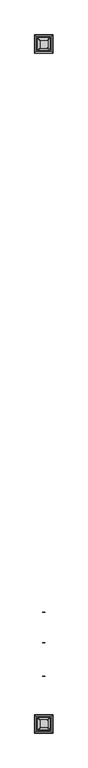
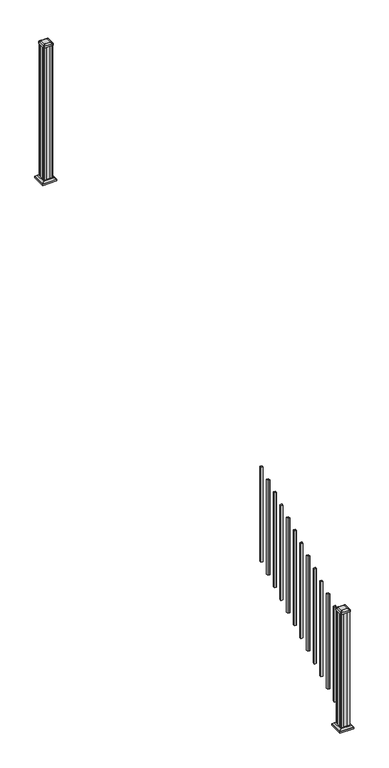
"""IFC4 building model written with IfcOpenShell, lengths in millimetres: railing geometry."""

import ifcopenshell
import ifcopenshell.guid

model = None  # the IFC model being written
_history = None  # IfcOwnerHistory: only IFC2X3 demands one
_inside = {}  # id of a spatial element -> (the spatial element, [elements in it])
_under = {}  # id of a project, library or spatial element -> (it, [spatial elements below it])
_declared = {}  # id of a project -> (the project, [libraries it declares])
_typed = {}  # id of a type object -> (the type object, [elements of that type])
_made_of = {}  # id of a material, layer set ... -> (it, [elements and type objects made of it])


def new_model(schema):
    """Start an empty IFC model of exactly this schema.

    Asked for "IFC4X3", IfcOpenShell would pick the latest addendum, in which some entities
    have other attributes; the version numbers below select the first issue.
    IFC2X3 requires an IfcOwnerHistory on every rooted entity: one is made here for all.
    """
    global model, _history
    if schema == "IFC4X3":
        model = ifcopenshell.file(schema_version=(4, 3, 0, 0))
    else:
        model = ifcopenshell.file(schema=schema)
    _inside.clear()
    _under.clear()
    _declared.clear()
    _typed.clear()
    _made_of.clear()
    _history = None
    if model.schema == "IFC2X3":
        org = make("IfcOrganization", Name="unknown")
        user = make(
            "IfcPersonAndOrganization",
            ThePerson=make("IfcPerson", FamilyName="unknown"),
            TheOrganization=org,
        )
        app = make(
            "IfcApplication",
            ApplicationDeveloper=org,
            Version="unknown",
            ApplicationFullName="unknown",
            ApplicationIdentifier="unknown",
        )
        _history = make(
            "IfcOwnerHistory",
            OwningUser=user,
            OwningApplication=app,
            ChangeAction="ADDED",
            CreationDate=0,
        )
    return model


def make(cls, **values):
    """One entity of the class cls with the attributes given. An attribute that is None is left unset."""
    return model.create_entity(
        cls, **{name: value for name, value in values.items() if value is not None}
    )


def rooted(cls, **values):
    """An entity with a GlobalId (a new one), such as an element, a storey or a relation."""
    return make(cls, GlobalId=ifcopenshell.guid.new(), OwnerHistory=_history, **values)


def si_unit(unit_type, name, prefix=None):
    """IfcSIUnit, for example si_unit("LENGTHUNIT", "METRE", prefix="MILLI")."""
    return make("IfcSIUnit", UnitType=unit_type, Prefix=prefix, Name=name)


def assignment(units):
    """IfcUnitAssignment: the units of a project."""
    return None if units is None else make("IfcUnitAssignment", Units=units)


def point(xyz):
    """IfcCartesianPoint."""
    return None if xyz is None else make("IfcCartesianPoint", Coordinates=xyz)


def direction(xyz):
    """IfcDirection."""
    return None if xyz is None else make("IfcDirection", DirectionRatios=xyz)


def frame(location, z_axis=None, x_axis=None):
    """IfcAxis2Placement3D, a coordinate frame: its origin and axes. An axis left out is left unset."""
    return make(
        "IfcAxis2Placement3D",
        Location=point(location),
        Axis=direction(z_axis),
        RefDirection=direction(x_axis),
    )


def frame_2d(location, x_axis=None):
    """IfcAxis2Placement2D, a coordinate frame in the plane: its origin and x axis."""
    return make(
        "IfcAxis2Placement2D", Location=point(location), RefDirection=direction(x_axis)
    )


def origin():
    """The frame at (0, 0, 0) with its axes left unset."""
    return frame((0.0, 0.0, 0.0))


def place(relative_to, where):
    """IfcLocalPlacement: puts the frame where relative to a parent placement (None: the world)."""
    return make(
        "IfcLocalPlacement", PlacementRelTo=relative_to, RelativePlacement=where
    )


def context(
    kind, dimensions, precision=None, world=None, true_north=None, identifier=None
):
    """IfcGeometricRepresentationContext, for example the 3D "Model" context."""
    return make(
        "IfcGeometricRepresentationContext",
        ContextIdentifier=identifier,
        ContextType=kind,
        CoordinateSpaceDimension=dimensions,
        Precision=precision,
        WorldCoordinateSystem=world,
        TrueNorth=true_north,
    )


def project(units=None, contexts=None):
    """IfcProject with its units and contexts."""
    return rooted(
        "IfcProject",
        Name="project",
        RepresentationContexts=contexts,
        UnitsInContext=assignment(units),
    )


def spatial(cls, under=None, at=None, **own):
    """A site, building, storey or space (cls), placed at a placement, below another one or the project."""
    s = rooted(cls, ObjectPlacement=at, **own)
    if under is not None:
        _under.setdefault(under.id(), (under, []))[1].append(s)
    return s


def polyline(points):
    """IfcPolyline through the points."""
    return make("IfcPolyline", Points=[point(p) for p in points])


def circle_curve(where, radius):
    """IfcCircle in the frame where."""
    return make("IfcCircle", Position=where, Radius=radius)


def trimmed(basis, trim1, trim2, sense, master):
    """IfcTrimmedCurve: the piece of a basis curve between two trims."""
    return make(
        "IfcTrimmedCurve",
        BasisCurve=basis,
        Trim1=trim1,
        Trim2=trim2,
        SenseAgreement=sense,
        MasterRepresentation=master,
    )


def segment(curve, same_sense, transition):
    """IfcCompositeCurveSegment."""
    return make(
        "IfcCompositeCurveSegment",
        Transition=transition,
        SameSense=same_sense,
        ParentCurve=curve,
    )


def composite_curve(segments, self_intersect=None):
    """IfcCompositeCurve: segments joined end to end."""
    return make("IfcCompositeCurve", Segments=segments, SelfIntersect=self_intersect)


def outline(outer, holes=None, kind="AREA"):
    """IfcArbitraryClosedProfileDef: a profile drawn as a closed curve; with holes, ...WithVoids."""
    if holes is None:
        return make("IfcArbitraryClosedProfileDef", ProfileType=kind, OuterCurve=outer)
    return make(
        "IfcArbitraryProfileDefWithVoids",
        ProfileType=kind,
        OuterCurve=outer,
        InnerCurves=holes,
    )


def extrude(swept, where, along, depth):
    """IfcExtrudedAreaSolid: the profile swept, set in the frame where, extruded along a direction by depth."""
    return make(
        "IfcExtrudedAreaSolid",
        SweptArea=swept,
        Position=where,
        ExtrudedDirection=direction(along),
        Depth=depth,
    )


def faces_of(points, faces, orient=None, outer=None):
    """IfcFace entities. A face is a list of loops; a loop is a list of indices into points, from 0.

    orient and outer hold one flag for each loop. By default every Orientation is true, the
    first loop of a face is its IfcFaceOuterBound and the others are IfcFaceBound.
    """
    made = []
    for i, loops in enumerate(faces):
        bounds = []
        for j, loop in enumerate(loops):
            is_outer = j == 0 if outer is None else outer[i][j]
            bounds.append(
                make(
                    "IfcFaceOuterBound" if is_outer else "IfcFaceBound",
                    Bound=make("IfcPolyLoop", Polygon=[points[k] for k in loop]),
                    Orientation=True if orient is None else orient[i][j],
                )
            )
        made.append(make("IfcFace", Bounds=bounds))
    return made


def faceted_brep(points, faces, orient=None, outer=None, voids=None):
    """IfcFacetedBrep: a solid bounded by flat faces; with voids (closed shells), ...WithVoids."""
    shared = [point(p) for p in points]
    hull = make("IfcClosedShell", CfsFaces=faces_of(shared, faces, orient, outer))
    if voids is None:
        return make("IfcFacetedBrep", Outer=hull)
    return make(
        "IfcFacetedBrepWithVoids",
        Outer=hull,
        Voids=[
            make(cls, CfsFaces=faces_of(shared, fs, o, b)) for cls, fs, o, b in voids
        ],
    )


def shape(context_of_items, identifier, shape_type, items):
    """IfcShapeRepresentation: the items that make up one representation, for example the "Body"."""
    return make(
        "IfcShapeRepresentation",
        ContextOfItems=context_of_items,
        RepresentationIdentifier=identifier,
        RepresentationType=shape_type,
        Items=items,
    )


def source(mapping_origin, context_of_items, identifier, shape_type, items):
    """IfcRepresentationMap: a shape defined once, which mapped items show again and again."""
    return make(
        "IfcRepresentationMap",
        MappingOrigin=mapping_origin,
        MappedRepresentation=shape(context_of_items, identifier, shape_type, items),
    )


def transform(
    local_origin,
    x_axis=None,
    y_axis=None,
    z_axis=None,
    scale=None,
    scale2=None,
    scale3=None,
    uniform=True,
):
    """IfcCartesianTransformationOperator3D, or its non-uniform kind. x_axis, y_axis, z_axis: its Axis1, 2, 3."""
    if uniform:
        return make(
            "IfcCartesianTransformationOperator3D",
            Axis1=direction(x_axis),
            Axis2=direction(y_axis),
            LocalOrigin=point(local_origin),
            Scale=scale,
            Axis3=direction(z_axis),
        )
    return make(
        "IfcCartesianTransformationOperator3DnonUniform",
        Axis1=direction(x_axis),
        Axis2=direction(y_axis),
        LocalOrigin=point(local_origin),
        Scale=scale,
        Axis3=direction(z_axis),
        Scale2=scale2,
        Scale3=scale3,
    )


def mapped(mapping_source, mapping_target):
    """IfcMappedItem: shows the shape of a source again, moved by a transform."""
    return make(
        "IfcMappedItem", MappingSource=mapping_source, MappingTarget=mapping_target
    )


def made_of(thing, what):
    """Note that an element or type object is made of a material, layer set ...; save() writes the relation."""
    if what is not None:
        _made_of.setdefault(what.id(), (what, []))[1].append(thing)
    return thing


def element(
    cls,
    number,
    at=None,
    inside=None,
    cuts=None,
    type_object=None,
    material=None,
    context=None,
    identifier="Body",
    shape_type=None,
    held_by="IfcProductDefinitionShape",
    body=None,
    shapes=None,
    **own,
):
    """One element of the class cls, such as IfcWall. Its Tag is "e" and its number.

    at: its placement. inside: the storey or other place that contains it. cuts: it is an
    opening in that element (IfcRelVoidsElement). A single representation is given by context,
    identifier, shape_type and body (its items); several are given by shapes. held_by: the class
    of the entity that holds the representations. save() writes the other relations.
    """
    e = rooted(cls, Tag="e%d" % number, ObjectPlacement=at, **own)
    if body is not None:
        shapes = [shape(context, identifier, shape_type, body)]
    if shapes is not None:
        e.Representation = make(held_by, Representations=shapes)
    if inside is not None:
        _inside.setdefault(inside.id(), (inside, []))[1].append(e)
    if cuts is not None:
        rooted(
            "IfcRelVoidsElement", RelatingBuildingElement=cuts, RelatedOpeningElement=e
        )
    if type_object is not None:
        _typed.setdefault(type_object.id(), (type_object, []))[1].append(e)
    return made_of(e, material)


def aggregate(whole, parts):
    """IfcRelAggregates: a whole, such as a stair, and the parts it consists of."""
    return rooted("IfcRelAggregates", RelatingObject=whole, RelatedObjects=parts)


def save(model, path):
    """Write the relations noted so far, then the file.

    IfcRelAggregates (storeys below a building ...), IfcRelContainedInSpatialStructure (elements
    in a storey), IfcRelDefinesByType, IfcRelAssociatesMaterial and IfcRelDeclares: one each for
    every whole, place, type object, material and project.
    """
    for whole, parts in _under.values():
        aggregate(whole, parts)
    for where, things in _inside.values():
        rooted(
            "IfcRelContainedInSpatialStructure",
            RelatedElements=things,
            RelatingStructure=where,
        )
    for kind, things in _typed.values():
        rooted("IfcRelDefinesByType", RelatedObjects=things, RelatingType=kind)
    for what, things in _made_of.values():
        rooted("IfcRelAssociatesMaterial", RelatedObjects=things, RelatingMaterial=what)
    for by, libraries in _declared.values():
        rooted("IfcRelDeclares", RelatingContext=by, RelatedDefinitions=libraries)
    model.write(path)


def plane_surface(at):
    """IfcPlane: the flat surface through the origin of the frame at, square to its z axis."""
    return make("IfcPlane", Position=at)


def extruded_surface(curve, direction_of_extrusion, depth):
    """IfcSurfaceOfLinearExtrusion: the curve pushed along a direction by depth."""
    return make(
        "IfcSurfaceOfLinearExtrusion",
        SweptCurve=make("IfcArbitraryOpenProfileDef", ProfileType="CURVE", Curve=curve),
        ExtrudedDirection=direction(direction_of_extrusion),
        Depth=depth,
    )


def advanced_brep(points, edges, surfaces, faces):
    """IfcAdvancedBrep: a solid bounded by faces that lie on surfaces and meet in shared edges.

    An edge is (start, end): straight between two places in points (the first is 0);
    or (start, end, curve); or (start, end, curve, False) where it runs against its curve.
    A face is (place in surfaces, loops), or (place, loops, False) where it looks against
    its surface's normal. A loop lists edges by number (the first is 1), with a minus sign
    where the edge is run from its end to its start. The first loop is the outer one.
    """
    corners = [point(p) for p in points]
    vertices = [make("IfcVertexPoint", VertexGeometry=c) for c in corners]
    made = []
    for start, end, *more in edges:
        made.append(
            make(
                "IfcEdgeCurve",
                EdgeStart=vertices[start],
                EdgeEnd=vertices[end],
                EdgeGeometry=more[0] if more else make("IfcPolyline", Points=[corners[start], corners[end]]),
                SameSense=more[1] if len(more) > 1 else True,
            )
        )
    hull = []
    for where, loops, *sense in faces:
        bounds = []
        for j, loop in enumerate(loops):
            ring = [make("IfcOrientedEdge", EdgeElement=made[abs(k) - 1], Orientation=k > 0) for k in loop]
            bounds.append(
                make(
                    "IfcFaceOuterBound" if j == 0 else "IfcFaceBound",
                    Bound=make("IfcEdgeLoop", EdgeList=ring),
                    Orientation=True,
                )
            )
        hull.append(make("IfcAdvancedFace", Bounds=bounds, FaceSurface=surfaces[where], SameSense=sense[0] if sense else True))
    return make("IfcAdvancedBrep", Outer=make("IfcClosedShell", CfsFaces=hull))


def railing_4b3dfe9b(model_context):
    return source(origin(), model_context, "Body", "SolidModel", [
        extrude(outline(polyline([(13099.8692659, 3087.2789694), (13099.8692659, 3106.3289694), (13118.9192659, 3106.3289694), (13118.9192659, 3087.2789694), (13099.8692659, 3087.2789694)]), holes=[polyline([(13100.2661409, 3087.6758444), (13118.5223909, 3087.6758444), (13118.5223909, 3105.9320944), (13100.2661409, 3105.9320944), (13100.2661409, 3087.6758444)])]), frame((0.0, 0.0, 1003.0533433), z_axis=(0.0, 0.0, 1.0), x_axis=(1.0, 0.0, 0.0)), (0.0, 0.0, 1.0), 965.2041219),
        extrude(outline(polyline([(13099.8692659, 2976.1539694), (13099.8692659, 2995.2039694), (13118.9192659, 2995.2039694), (13118.9192659, 2976.1539694), (13099.8692659, 2976.1539694)]), holes=[polyline([(13100.2661409, 2976.5508444), (13118.5223909, 2976.5508444), (13118.5223909, 2994.8070944), (13100.2661409, 2994.8070944), (13100.2661409, 2976.5508444)])]), frame((0.0, 0.0, 941.3172322), z_axis=(0.0, 0.0, 1.0), x_axis=(1.0, 0.0, 0.0)), (0.0, 0.0, 1.0), 965.2041219),
        extrude(outline(polyline([(13099.8692659, 2865.0289694), (13099.8692659, 2884.0789694), (13118.9192659, 2884.0789694), (13118.9192659, 2865.0289694), (13099.8692659, 2865.0289694)]), holes=[polyline([(13100.2661409, 2865.4258444), (13118.5223909, 2865.4258444), (13118.5223909, 2883.6820944), (13100.2661409, 2883.6820944), (13100.2661409, 2865.4258444)])]), frame((0.0, 0.0, 879.5811211), z_axis=(0.0, 0.0, 1.0), x_axis=(1.0, 0.0, 0.0)), (0.0, 0.0, 1.0), 965.2041219),
        extrude(outline(polyline([(13099.8692659, 2753.9039694), (13099.8692659, 2772.9539694), (13118.9192659, 2772.9539694), (13118.9192659, 2753.9039694), (13099.8692659, 2753.9039694)]), holes=[polyline([(13100.2661409, 2754.3008444), (13118.5223909, 2754.3008444), (13118.5223909, 2772.5570944), (13100.2661409, 2772.5570944), (13100.2661409, 2754.3008444)])]), frame((0.0, 0.0, 817.84501), z_axis=(0.0, 0.0, 1.0), x_axis=(1.0, 0.0, 0.0)), (0.0, 0.0, 1.0), 965.2041219),
        extrude(outline(polyline([(13099.8692659, 2642.7789694), (13099.8692659, 2661.8289694), (13118.9192659, 2661.8289694), (13118.9192659, 2642.7789694), (13099.8692659, 2642.7789694)]), holes=[polyline([(13100.2661409, 2643.1758444), (13118.5223909, 2643.1758444), (13118.5223909, 2661.4320944), (13100.2661409, 2661.4320944), (13100.2661409, 2643.1758444)])]), frame((0.0, 0.0, 756.1088989), z_axis=(0.0, 0.0, 1.0), x_axis=(1.0, 0.0, 0.0)), (0.0, 0.0, 1.0), 965.2041219),
        extrude(outline(polyline([(13099.8692659, 2531.6539694), (13099.8692659, 2550.7039694), (13118.9192659, 2550.7039694), (13118.9192659, 2531.6539694), (13099.8692659, 2531.6539694)]), holes=[polyline([(13100.2661409, 2532.0508444), (13118.5223909, 2532.0508444), (13118.5223909, 2550.3070944), (13100.2661409, 2550.3070944), (13100.2661409, 2532.0508444)])]), frame((0.0, 0.0, 694.3727878), z_axis=(0.0, 0.0, 1.0), x_axis=(1.0, 0.0, 0.0)), (0.0, 0.0, 1.0), 965.2041219),
        extrude(outline(polyline([(13099.8692659, 2420.5289694), (13099.8692659, 2439.5789694), (13118.9192659, 2439.5789694), (13118.9192659, 2420.5289694), (13099.8692659, 2420.5289694)]), holes=[polyline([(13100.2661409, 2420.9258444), (13118.5223909, 2420.9258444), (13118.5223909, 2439.1820944), (13100.2661409, 2439.1820944), (13100.2661409, 2420.9258444)])]), frame((0.0, 0.0, 632.6366767), z_axis=(0.0, 0.0, 1.0), x_axis=(1.0, 0.0, 0.0)), (0.0, 0.0, 1.0), 965.2041219),
        extrude(outline(polyline([(13099.8692659, 2309.4039694), (13099.8692659, 2328.4539694), (13118.9192659, 2328.4539694), (13118.9192659, 2309.4039694), (13099.8692659, 2309.4039694)]), holes=[polyline([(13100.2661409, 2309.8008444), (13118.5223909, 2309.8008444), (13118.5223909, 2328.0570944), (13100.2661409, 2328.0570944), (13100.2661409, 2309.8008444)])]), frame((0.0, 0.0, 570.9005656), z_axis=(0.0, 0.0, 1.0), x_axis=(1.0, 0.0, 0.0)), (0.0, 0.0, 1.0), 965.2041219),
        extrude(outline(polyline([(13099.8692659, 2198.2789694), (13099.8692659, 2217.3289694), (13118.9192659, 2217.3289694), (13118.9192659, 2198.2789694), (13099.8692659, 2198.2789694)]), holes=[polyline([(13100.2661409, 2198.6758444), (13118.5223909, 2198.6758444), (13118.5223909, 2216.9320944), (13100.2661409, 2216.9320944), (13100.2661409, 2198.6758444)])]), frame((0.0, 0.0, 509.1644545), z_axis=(0.0, 0.0, 1.0), x_axis=(1.0, 0.0, 0.0)), (0.0, 0.0, 1.0), 965.2041219),
        extrude(outline(polyline([(13099.8692659, 2087.1539694), (13099.8692659, 2106.2039694), (13118.9192659, 2106.2039694), (13118.9192659, 2087.1539694), (13099.8692659, 2087.1539694)]), holes=[polyline([(13100.2661409, 2087.5508444), (13118.5223909, 2087.5508444), (13118.5223909, 2105.8070944), (13100.2661409, 2105.8070944), (13100.2661409, 2087.5508444)])]), frame((0.0, 0.0, 447.4283433), z_axis=(0.0, 0.0, 1.0), x_axis=(1.0, 0.0, 0.0)), (0.0, 0.0, 1.0), 965.2041219),
        extrude(outline(polyline([(13099.8692659, 1976.0289694), (13099.8692659, 1995.0789694), (13118.9192659, 1995.0789694), (13118.9192659, 1976.0289694), (13099.8692659, 1976.0289694)]), holes=[polyline([(13100.2661409, 1976.4258444), (13118.5223909, 1976.4258444), (13118.5223909, 1994.6820944), (13100.2661409, 1994.6820944), (13100.2661409, 1976.4258444)])]), frame((0.0, 0.0, 385.6922322), z_axis=(0.0, 0.0, 1.0), x_axis=(1.0, 0.0, 0.0)), (0.0, 0.0, 1.0), 965.2041219),
        extrude(outline(polyline([(13099.8692659, 1864.9039694), (13099.8692659, 1883.9539694), (13118.9192659, 1883.9539694), (13118.9192659, 1864.9039694), (13099.8692659, 1864.9039694)]), holes=[polyline([(13100.2661409, 1865.3008444), (13118.5223909, 1865.3008444), (13118.5223909, 1883.5570944), (13100.2661409, 1883.5570944), (13100.2661409, 1865.3008444)])]), frame((0.0, 0.0, 323.9561211), z_axis=(0.0, 0.0, 1.0), x_axis=(1.0, 0.0, 0.0)), (0.0, 0.0, 1.0), 965.2041219),
        extrude(outline(polyline([(13149.0817659, 6655.7805319), (13129.4602659, 6655.7805319), (13128.6982659, 6657.3680319), (13090.0902659, 6657.3680319), (13089.3282659, 6655.7805319), (13069.7067659, 6655.7805319), (13068.1192659, 6657.3680319), (13068.1192659, 6676.9895319), (13069.7067659, 6677.7515319), (13069.7067659, 6716.3595319), (13068.1192659, 6717.1215319), (13068.1192659, 6736.7430319), (13069.7067659, 6738.3305319), (13089.3282659, 6738.3305319), (13090.0902659, 6736.7430319), (13128.6982659, 6736.7430319), (13129.4602659, 6738.3305319), (13149.0817659, 6738.3305319), (13150.6692659, 6736.7430319), (13150.6692659, 6717.1215319), (13149.0817659, 6716.3595319), (13149.0817659, 6677.7515319), (13150.6692659, 6676.9895319), (13150.6692659, 6657.3680319), (13149.0817659, 6655.7805319)])), frame((0.0, 0.0, 2709.3333333), z_axis=(0.0, 0.0, 1.0), x_axis=(1.0, 0.0, 0.0)), (0.0, 0.0, 1.0), 1376.0281519),
        faceted_brep([(13056.8083284, 6644.4695944, 2737.9083333), (13161.9802034, 6644.4695944, 2737.9083333), (13161.9802034, 6749.6414694, 2737.9083333), (13056.8083284, 6749.6414694, 2737.9083333), (13042.7688753, 6630.4301413, 2724.5733333), (13042.7688753, 6763.6809225, 2724.5733333), (13176.0196565, 6763.6809225, 2724.5733333), (13176.0196565, 6630.4301413, 2724.5733333)], [[[0, 1, 2, 3]], [[4, 5, 6, 7]], [[4, 7, 1, 0]], [[7, 6, 2, 1]], [[6, 5, 3, 2]], [[5, 4, 0, 3]]]),
        extrude(outline(polyline([(13042.7688753, 6630.4301413), (13042.7688753, 6763.6809225), (13176.0196565, 6763.6809225), (13176.0196565, 6630.4301413), (13042.7688753, 6630.4301413)])), frame((0.0, 0.0, 2709.3333333), z_axis=(0.0, 0.0, 1.0), x_axis=(1.0, 0.0, 0.0)), (0.0, 0.0, 1.0), 15.24),
        advanced_brep(
        [(13135.1911409, 6668.0836569, 4113.9364852), (13138.3661409, 6671.2586569, 4113.9364852), (13138.3661409, 6722.8524069, 4113.9364852), (13135.1911409, 6726.0274069, 4113.9364852), (13083.5973909, 6726.0274069, 4113.9364852), (13080.4223909, 6722.8524069, 4113.9364852), (13080.4223909, 6671.2586569, 4113.9364852), (13083.5973909, 6668.0836569, 4113.9364852), (13151.4630159, 6651.8117819, 4102.6334852), (13067.3255159, 6651.8117819, 4102.6334852), (13064.1505159, 6654.9867819, 4102.6334852), (13064.1505159, 6739.1242819, 4102.6334852), (13067.3255159, 6742.2992819, 4102.6334852), (13151.4630159, 6742.2992819, 4102.6334852), (13154.6380159, 6739.1242819, 4102.6334852), (13154.6380159, 6654.9867819, 4102.6334852)],
        [
            (0, 1, circle_curve(frame((13135.1911409, 6671.2586569, 4113.9364852), z_axis=(0.0, 0.0, 1.0), x_axis=(0.0, 1.0, 0.0)), 3.175)),
            (1, 2),
            (2, 3, circle_curve(frame((13135.1911409, 6722.8524069, 4113.9364852), z_axis=(0.0, 0.0, 1.0), x_axis=(0.0, 1.0, 0.0)), 3.175)),
            (3, 4),
            (4, 5, circle_curve(frame((13083.5973909, 6722.8524069, 4113.9364852), z_axis=(0.0, 0.0, 1.0), x_axis=(0.0, 1.0, 0.0)), 3.175)),
            (5, 6),
            (6, 7, circle_curve(frame((13083.5973909, 6671.2586569, 4113.9364852), z_axis=(0.0, 0.0, 1.0), x_axis=(0.0, 1.0, 0.0)), 3.175)),
            (7, 0),
            (8, 9),
            (9, 10, circle_curve(frame((13067.3255159, 6654.9867819, 4102.6334852), z_axis=(0.0, 0.0, -1.0), x_axis=(0.0, 1.0, 0.0)), 3.175)),
            (10, 11),
            (11, 12, circle_curve(frame((13067.3255159, 6739.1242819, 4102.6334852), z_axis=(0.0, 0.0, -1.0), x_axis=(0.0, 1.0, 0.0)), 3.175)),
            (12, 13),
            (13, 14, circle_curve(frame((13151.4630159, 6739.1242819, 4102.6334852), z_axis=(0.0, 0.0, -1.0), x_axis=(0.0, 1.0, 0.0)), 3.175)),
            (14, 15),
            (15, 8, circle_curve(frame((13151.4630159, 6654.9867819, 4102.6334852), z_axis=(0.0, 0.0, -1.0), x_axis=(0.0, 1.0, 0.0)), 3.175)),
            (15, 1),
            (0, 8),
            (14, 2),
            (13, 3),
            (12, 4),
            (11, 5),
            (10, 6),
            (9, 7),
        ],
        [
            plane_surface(frame((13109.3942659, 6697.0555319, 4113.9364852), z_axis=(0.0, 0.0, 1.0), x_axis=(1.0, 0.0, 0.0))),
            plane_surface(frame((13109.3942659, 6697.0555319, 4102.6334852), z_axis=(0.0, 0.0, -1.0), x_axis=(1.0, 0.0, 0.0))),
            extruded_surface(trimmed(circle_curve(frame((13151.4630159, 6654.9867819, 4102.6334852), z_axis=(0.0, 0.0, 1.0), x_axis=(0.0, 1.0, 0.0)), 3.175), [point((13151.4630159, 6651.8117819, 4102.6334852))], [point((13154.6380159, 6654.9867819, 4102.6334852))], True, "CARTESIAN"), (-16.271875000000364, 16.271874999999454, 11.302999999999884), 25.637972638865996),
            plane_surface(frame((13154.6380159, 6697.0555319, 4102.6334852), z_axis=(0.5705009161540685, 0.0, 0.8212969649690474), x_axis=(0.0, 1.0, 0.0))),
            extruded_surface(trimmed(circle_curve(frame((13151.4630159, 6739.1242819, 4102.6334852), z_axis=(0.0, 0.0, 1.0), x_axis=(0.0, 1.0, 0.0)), 3.175), [point((13154.6380159, 6739.1242819, 4102.6334852))], [point((13151.4630159, 6742.2992819, 4102.6334852))], True, "CARTESIAN"), (-16.271875000000364, -16.271875000000364, 11.302999999999884), 25.63797263886657),
            plane_surface(frame((13109.3942659, 6742.2992819, 4102.6334852), z_axis=(0.0, 0.5705009161540291, 0.8212969649690747), x_axis=(-1.0, 0.0, 0.0))),
            extruded_surface(trimmed(circle_curve(frame((13067.3255159, 6739.1242819, 4102.6334852), z_axis=(0.0, 0.0, 1.0), x_axis=(0.0, 1.0, 0.0)), 3.175), [point((13067.3255159, 6742.2992819, 4102.6334852))], [point((13064.1505159, 6739.1242819, 4102.6334852))], True, "CARTESIAN"), (16.271875000000364, -16.271875000000364, 11.302999999999884), 25.63797263886657),
            plane_surface(frame((13064.1505159, 6697.0555319, 4102.6334852), z_axis=(-0.5705009161540235, 0.0, 0.8212969649690786), x_axis=(0.0, -1.0, 0.0))),
            extruded_surface(trimmed(circle_curve(frame((13067.3255159, 6654.9867819, 4102.6334852), z_axis=(0.0, 0.0, 1.0), x_axis=(0.0, 1.0, 0.0)), 3.175), [point((13064.1505159, 6654.9867819, 4102.6334852))], [point((13067.3255159, 6651.8117819, 4102.6334852))], True, "CARTESIAN"), (16.271875000000364, 16.271874999999454, 11.302999999999884), 25.637972638865996),
            plane_surface(frame((13109.3942659, 6651.8117819, 4102.6334852), z_axis=(0.0, -0.570500916154034, 0.8212969649690713), x_axis=(1.0, 0.0, 0.0))),
        ],
        [
            (0, [[1, 2, 3, 4, 5, 6, 7, 8]]),
            (1, [[9, 10, 11, 12, 13, 14, 15, 16]]),
            (2, [[-16, 17, -1, 18]]),
            (3, [[-15, 19, -2, -17]]),
            (4, [[-14, 20, -3, -19]]),
            (5, [[-13, 21, -4, -20]]),
            (6, [[-12, 22, -5, -21]]),
            (7, [[-11, 23, -6, -22]]),
            (8, [[-10, 24, -7, -23]]),
            (9, [[-9, -18, -8, -24]]),
        ],
    ),
        extrude(outline(composite_curve([segment(polyline([(13151.4630159, 6651.8117819), (13067.3255159, 6651.8117819)]), True, "CONTINUOUS"), segment(trimmed(circle_curve(frame_2d((13067.3255159, 6654.9867819)), 3.175), [point((13067.3255159, 6651.8117819))], [point((13064.1505159, 6654.9867819))], False, "CARTESIAN"), True, "CONTINUOUS"), segment(polyline([(13064.1505159, 6654.9867819), (13064.1505159, 6739.1242819)]), True, "CONTINUOUS"), segment(trimmed(circle_curve(frame_2d((13067.3255159, 6739.1242819)), 3.175), [point((13064.1505159, 6739.1242819))], [point((13067.3255159, 6742.2992819))], False, "CARTESIAN"), True, "CONTINUOUS"), segment(polyline([(13067.3255159, 6742.2992819), (13151.4630159, 6742.2992819)]), True, "CONTINUOUS"), segment(trimmed(circle_curve(frame_2d((13151.4630159, 6739.1242819)), 3.175), [point((13151.4630159, 6742.2992819))], [point((13154.6380159, 6739.1242819))], False, "CARTESIAN"), True, "CONTINUOUS"), segment(polyline([(13154.6380159, 6739.1242819), (13154.6380159, 6654.9867819)]), True, "CONTINUOUS"), segment(trimmed(circle_curve(frame_2d((13151.4630159, 6654.9867819)), 3.175), [point((13154.6380159, 6654.9867819))], [point((13151.4630159, 6651.8117819))], False, "CARTESIAN"), True, "CONTINUOUS")], self_intersect=False)), frame((0.0, 0.0, 4085.3614852), z_axis=(0.0, 0.0, 1.0), x_axis=(1.0, 0.0, 0.0)), (0.0, 0.0, 1.0), 17.272),
        faceted_brep([(13056.8083284, 1685.1195944, 174.9777778), (13161.9802034, 1685.1195944, 174.9777778), (13161.9802034, 1790.2914694, 174.9777778), (13056.8083284, 1790.2914694, 174.9777778), (13042.7688753, 1671.0801413, 161.6427778), (13042.7688753, 1804.3309225, 161.6427778), (13176.0196565, 1804.3309225, 161.6427778), (13176.0196565, 1671.0801413, 161.6427778)], [[[0, 1, 2, 3]], [[4, 5, 6, 7]], [[4, 7, 1, 0]], [[7, 6, 2, 1]], [[6, 5, 3, 2]], [[5, 4, 0, 3]]]),
        extrude(outline(polyline([(13042.7688753, 1671.0801413), (13042.7688753, 1804.3309225), (13176.0196565, 1804.3309225), (13176.0196565, 1671.0801413), (13042.7688753, 1671.0801413)])), frame((0.0, 0.0, 146.4027778), z_axis=(0.0, 0.0, 1.0), x_axis=(1.0, 0.0, 0.0)), (0.0, 0.0, 1.0), 15.24),
        advanced_brep(
        [(13135.1911409, 1708.7336569, 1358.7420408), (13138.3661409, 1711.9086569, 1358.7420408), (13138.3661409, 1763.5024069, 1358.7420408), (13135.1911409, 1766.6774069, 1358.7420408), (13083.5973909, 1766.6774069, 1358.7420408), (13080.4223909, 1763.5024069, 1358.7420408), (13080.4223909, 1711.9086569, 1358.7420408), (13083.5973909, 1708.7336569, 1358.7420408), (13151.4630159, 1692.4617819, 1347.4390408), (13067.3255159, 1692.4617819, 1347.4390408), (13064.1505159, 1695.6367819, 1347.4390408), (13064.1505159, 1779.7742819, 1347.4390408), (13067.3255159, 1782.9492819, 1347.4390408), (13151.4630159, 1782.9492819, 1347.4390408), (13154.6380159, 1779.7742819, 1347.4390408), (13154.6380159, 1695.6367819, 1347.4390408)],
        [
            (0, 1, circle_curve(frame((13135.1911409, 1711.9086569, 1358.7420408), z_axis=(0.0, 0.0, 1.0), x_axis=(0.0, 1.0, 0.0)), 3.175)),
            (1, 2),
            (2, 3, circle_curve(frame((13135.1911409, 1763.5024069, 1358.7420408), z_axis=(0.0, 0.0, 1.0), x_axis=(0.0, 1.0, 0.0)), 3.175)),
            (3, 4),
            (4, 5, circle_curve(frame((13083.5973909, 1763.5024069, 1358.7420408), z_axis=(0.0, 0.0, 1.0), x_axis=(0.0, 1.0, 0.0)), 3.175)),
            (5, 6),
            (6, 7, circle_curve(frame((13083.5973909, 1711.9086569, 1358.7420408), z_axis=(0.0, 0.0, 1.0), x_axis=(0.0, 1.0, 0.0)), 3.175)),
            (7, 0),
            (8, 9),
            (9, 10, circle_curve(frame((13067.3255159, 1695.6367819, 1347.4390408), z_axis=(0.0, 0.0, -1.0), x_axis=(0.0, 1.0, 0.0)), 3.175)),
            (10, 11),
            (11, 12, circle_curve(frame((13067.3255159, 1779.7742819, 1347.4390408), z_axis=(0.0, 0.0, -1.0), x_axis=(0.0, 1.0, 0.0)), 3.175)),
            (12, 13),
            (13, 14, circle_curve(frame((13151.4630159, 1779.7742819, 1347.4390408), z_axis=(0.0, 0.0, -1.0), x_axis=(0.0, 1.0, 0.0)), 3.175)),
            (14, 15),
            (15, 8, circle_curve(frame((13151.4630159, 1695.6367819, 1347.4390408), z_axis=(0.0, 0.0, -1.0), x_axis=(0.0, 1.0, 0.0)), 3.175)),
            (15, 1),
            (0, 8),
            (14, 2),
            (13, 3),
            (12, 4),
            (11, 5),
            (10, 6),
            (9, 7),
        ],
        [
            plane_surface(frame((13109.3942659, 1737.7055319, 1358.7420408), z_axis=(0.0, 0.0, 1.0), x_axis=(1.0, 0.0, 0.0))),
            plane_surface(frame((13109.3942659, 1737.7055319, 1347.4390408), z_axis=(0.0, 0.0, -1.0), x_axis=(1.0, 0.0, 0.0))),
            extruded_surface(trimmed(circle_curve(frame((13151.4630159, 1695.6367819, 1347.4390408), z_axis=(0.0, 0.0, 1.0), x_axis=(0.0, 1.0, 0.0)), 3.175), [point((13151.4630159, 1692.4617819, 1347.4390408))], [point((13154.6380159, 1695.6367819, 1347.4390408))], True, "CARTESIAN"), (-16.271875000000364, 16.271875000000136, 11.303000000000111), 25.63797263886653),
            plane_surface(frame((13154.6380159, 1737.7055319, 1347.4390408), z_axis=(0.5705009161540778, 0.0, 0.8212969649690408), x_axis=(0.0, 1.0, 0.0))),
            extruded_surface(trimmed(circle_curve(frame((13151.4630159, 1779.7742819, 1347.4390408), z_axis=(0.0, 0.0, 1.0), x_axis=(0.0, 1.0, 0.0)), 3.175), [point((13154.6380159, 1779.7742819, 1347.4390408))], [point((13151.4630159, 1782.9492819, 1347.4390408))], True, "CARTESIAN"), (-16.271875000000364, -16.27187499999991, 11.303000000000111), 25.637972638866383),
            plane_surface(frame((13109.3942659, 1782.9492819, 1347.4390408), z_axis=(0.0, 0.5705009161540291, 0.8212969649690747), x_axis=(-1.0, 0.0, 0.0))),
            extruded_surface(trimmed(circle_curve(frame((13067.3255159, 1779.7742819, 1347.4390408), z_axis=(0.0, 0.0, 1.0), x_axis=(0.0, 1.0, 0.0)), 3.175), [point((13067.3255159, 1782.9492819, 1347.4390408))], [point((13064.1505159, 1779.7742819, 1347.4390408))], True, "CARTESIAN"), (16.271875000000364, -16.27187499999991, 11.303000000000111), 25.637972638866383),
            plane_surface(frame((13064.1505159, 1737.7055319, 1347.4390408), z_axis=(-0.5705009161540142, 0.0, 0.8212969649690851), x_axis=(0.0, -1.0, 0.0))),
            extruded_surface(trimmed(circle_curve(frame((13067.3255159, 1695.6367819, 1347.4390408), z_axis=(0.0, 0.0, 1.0), x_axis=(0.0, 1.0, 0.0)), 3.175), [point((13064.1505159, 1695.6367819, 1347.4390408))], [point((13067.3255159, 1692.4617819, 1347.4390408))], True, "CARTESIAN"), (16.271875000000364, 16.271875000000136, 11.303000000000111), 25.63797263886653),
            plane_surface(frame((13109.3942659, 1692.4617819, 1347.4390408), z_axis=(0.0, -0.570500916154034, 0.8212969649690713), x_axis=(1.0, 0.0, 0.0))),
        ],
        [
            (0, [[1, 2, 3, 4, 5, 6, 7, 8]]),
            (1, [[9, 10, 11, 12, 13, 14, 15, 16]]),
            (2, [[-16, 17, -1, 18]]),
            (3, [[-15, 19, -2, -17]]),
            (4, [[-14, 20, -3, -19]]),
            (5, [[-13, 21, -4, -20]]),
            (6, [[-12, 22, -5, -21]]),
            (7, [[-11, 23, -6, -22]]),
            (8, [[-10, 24, -7, -23]]),
            (9, [[-9, -18, -8, -24]]),
        ],
    ),
        extrude(outline(composite_curve([segment(polyline([(13151.4630159, 1692.4617819), (13067.3255159, 1692.4617819)]), True, "CONTINUOUS"), segment(trimmed(circle_curve(frame_2d((13067.3255159, 1695.6367819)), 3.175), [point((13067.3255159, 1692.4617819))], [point((13064.1505159, 1695.6367819))], False, "CARTESIAN"), True, "CONTINUOUS"), segment(polyline([(13064.1505159, 1695.6367819), (13064.1505159, 1779.7742819)]), True, "CONTINUOUS"), segment(trimmed(circle_curve(frame_2d((13067.3255159, 1779.7742819)), 3.175), [point((13064.1505159, 1779.7742819))], [point((13067.3255159, 1782.9492819))], False, "CARTESIAN"), True, "CONTINUOUS"), segment(polyline([(13067.3255159, 1782.9492819), (13151.4630159, 1782.9492819)]), True, "CONTINUOUS"), segment(trimmed(circle_curve(frame_2d((13151.4630159, 1779.7742819)), 3.175), [point((13151.4630159, 1782.9492819))], [point((13154.6380159, 1779.7742819))], False, "CARTESIAN"), True, "CONTINUOUS"), segment(polyline([(13154.6380159, 1779.7742819), (13154.6380159, 1695.6367819)]), True, "CONTINUOUS"), segment(trimmed(circle_curve(frame_2d((13151.4630159, 1695.6367819)), 3.175), [point((13154.6380159, 1695.6367819))], [point((13151.4630159, 1692.4617819))], False, "CARTESIAN"), True, "CONTINUOUS")], self_intersect=False)), frame((0.0, 0.0, 1330.1670408), z_axis=(0.0, 0.0, 1.0), x_axis=(1.0, 0.0, 0.0)), (0.0, 0.0, 1.0), 17.272),
        extrude(outline(polyline([(13149.0817659, 1696.4305319), (13129.4602659, 1696.4305319), (13128.6982659, 1698.0180319), (13090.0902659, 1698.0180319), (13089.3282659, 1696.4305319), (13069.7067659, 1696.4305319), (13068.1192659, 1698.0180319), (13068.1192659, 1717.6395319), (13069.7067659, 1718.4015319), (13069.7067659, 1757.0095319), (13068.1192659, 1757.7715319), (13068.1192659, 1777.3930319), (13069.7067659, 1778.9805319), (13089.3282659, 1778.9805319), (13090.0902659, 1777.3930319), (13128.6982659, 1777.3930319), (13129.4602659, 1778.9805319), (13149.0817659, 1778.9805319), (13150.6692659, 1777.3930319), (13150.6692659, 1757.7715319), (13149.0817659, 1757.0095319), (13149.0817659, 1718.4015319), (13150.6692659, 1717.6395319), (13150.6692659, 1698.0180319), (13149.0817659, 1696.4305319)])), frame((0.0, 0.0, 146.4027778), z_axis=(0.0, 0.0, 1.0), x_axis=(1.0, 0.0, 0.0)), (0.0, 0.0, 1.0), 1183.764263),
    ])


if __name__ == "__main__":
    model = new_model("IFC4")
    model_context = context("Model", 3, world=origin())
    ifc_project = project(units=[si_unit("LENGTHUNIT", "METRE", prefix="MILLI")], contexts=[model_context])
    site = spatial("IfcSite", under=ifc_project)
    building = spatial("IfcBuilding", under=site)
    placement = place(None, origin())
    railing_shape = railing_4b3dfe9b(model_context)
    element("IfcRailing", 1, at=placement, inside=building, context=model_context, shape_type="MappedRepresentation", body=[
        mapped(railing_shape, transform((0.0, 0.0, 0.0), x_axis=(1.0, 0.0, 0.0), y_axis=(0.0, 1.0, 0.0), z_axis=(0.0, 0.0, 1.0))),
    ])
    save(model, "model.ifc")
